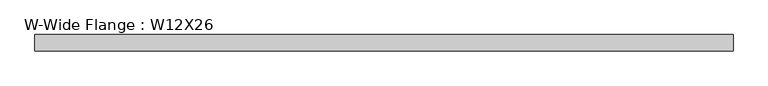
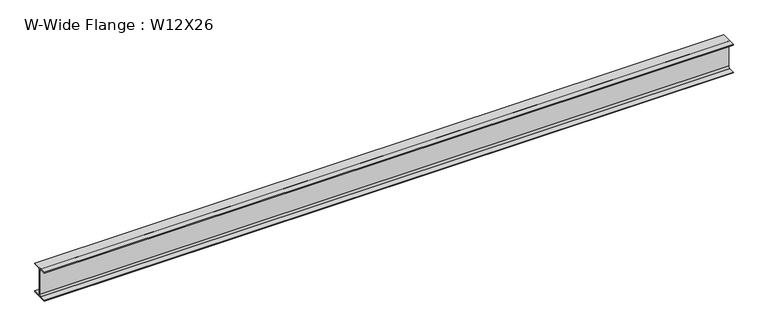
"""IFC4 building model written with IfcOpenShell, lengths in millimetres: beam geometry, W-Wide Flange : W12X26."""

from ifc_helpers import new_model, si_unit, point, frame, frame_2d, origin, place, context, project, spatial, polyline, circle_curve, trimmed, segment, composite_curve, outline, extrude, source, transform, mapped, element, save


def w_wide_flange_w12x26_7c1e4013(model_context):
    return source(origin(), model_context, "Body", "SweptSolid", [
        extrude(outline(composite_curve([segment(polyline([(82.423, -145.288), (82.423, -154.94), (-82.423, -154.94), (-82.423, -145.288), (-20.2565, -145.288)]), True, "CONTINUOUS"), segment(trimmed(circle_curve(frame_2d((-20.2565, -127.9525)), 17.3355), [point((-20.2565, -145.288))], [point((-2.921, -127.9525))], True, "CARTESIAN"), True, "CONTINUOUS"), segment(polyline([(-2.921, -127.9525), (-2.921, 127.9525)]), True, "CONTINUOUS"), segment(trimmed(circle_curve(frame_2d((-20.2565, 127.9525)), 17.3355), [point((-2.921, 127.9525))], [point((-20.2565, 145.288))], True, "CARTESIAN"), True, "CONTINUOUS"), segment(polyline([(-20.2565, 145.288), (-82.423, 145.288), (-82.423, 154.94), (82.423, 154.94), (82.423, 145.288), (20.2565, 145.288)]), True, "CONTINUOUS"), segment(trimmed(circle_curve(frame_2d((20.2565, 127.9525)), 17.3355), [point((20.2565, 145.288))], [point((2.921, 127.9525))], True, "CARTESIAN"), True, "CONTINUOUS"), segment(polyline([(2.921, 127.9525), (2.921, -127.9525)]), True, "CONTINUOUS"), segment(trimmed(circle_curve(frame_2d((20.2565, -127.9525)), 17.3355), [point((2.921, -127.9525))], [point((20.2565, -145.288))], True, "CARTESIAN"), True, "CONTINUOUS"), segment(polyline([(20.2565, -145.288), (82.423, -145.288)]), True, "CONTINUOUS")], self_intersect=False)), frame((-3305.55621, 0.0, 0.0), z_axis=(1.0, 0.0, 0.0), x_axis=(0.0, 1.0, 0.0)), (0.0, 0.0, 1.0), 7017.5578013),
    ])


if __name__ == "__main__":
    model = new_model("IFC4")
    model_context = context("Model", 3, world=origin())
    ifc_project = project(units=[si_unit("LENGTHUNIT", "METRE", prefix="MILLI")], contexts=[model_context])
    site = spatial("IfcSite", under=ifc_project)
    building = spatial("IfcBuilding", under=site)
    placement = place(None, origin())
    w_wide_flange_w12x26_shape = w_wide_flange_w12x26_7c1e4013(model_context)
    element("IfcBeam", 1, ObjectType="W-Wide Flange : W12X26", at=placement, inside=building, context=model_context, shape_type="MappedRepresentation", body=[
        mapped(w_wide_flange_w12x26_shape, transform((0.0, 0.0, 0.0), x_axis=(1.0, 0.0, 0.0), y_axis=(0.0, 1.0, 0.0), z_axis=(0.0, 0.0, 1.0))),
    ])
    save(model, "model.ifc")
